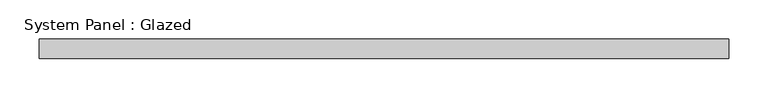
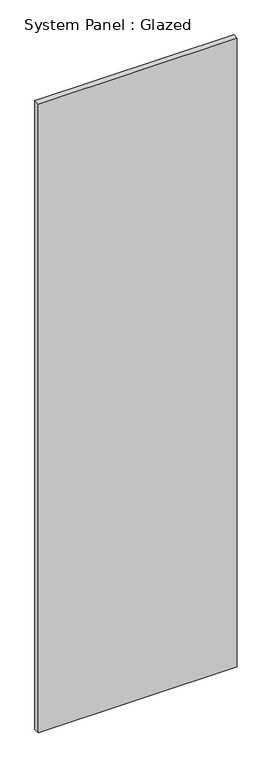
"""IFC4 building model written with IfcOpenShell, lengths in millimetres: plate geometry, System Panel : Glazed."""

from ifc_helpers import new_model, si_unit, origin, origin_with_axes, place, context, project, spatial, polyline, outline, extrude, source, transform, mapped, element, save


def system_panel_glazed_cee66965(model_context):
    return source(origin(), model_context, "Body", "SweptSolid", [
        extrude(outline(polyline([(441.3250951, 25.4), (-441.3250951, 25.4), (-441.3250951, 50.8), (441.3250951, 50.8), (441.3250951, 25.4)])), origin_with_axes(), (0.0, 0.0, 1.0), 2946.4),
    ])


if __name__ == "__main__":
    model = new_model("IFC4")
    model_context = context("Model", 3, world=origin())
    ifc_project = project(units=[si_unit("LENGTHUNIT", "METRE", prefix="MILLI")], contexts=[model_context])
    site = spatial("IfcSite", under=ifc_project)
    building = spatial("IfcBuilding", under=site)
    placement = place(None, origin())
    system_panel_glazed_shape = system_panel_glazed_cee66965(model_context)
    element("IfcPlate", 1, ObjectType="System Panel : Glazed", at=placement, inside=building, context=model_context, shape_type="MappedRepresentation", body=[
        mapped(system_panel_glazed_shape, transform((0.0, 0.0, 0.0), x_axis=(1.0, 0.0, 0.0), y_axis=(0.0, 1.0, 0.0), z_axis=(0.0, 0.0, 1.0))),
    ])
    save(model, "model.ifc")
